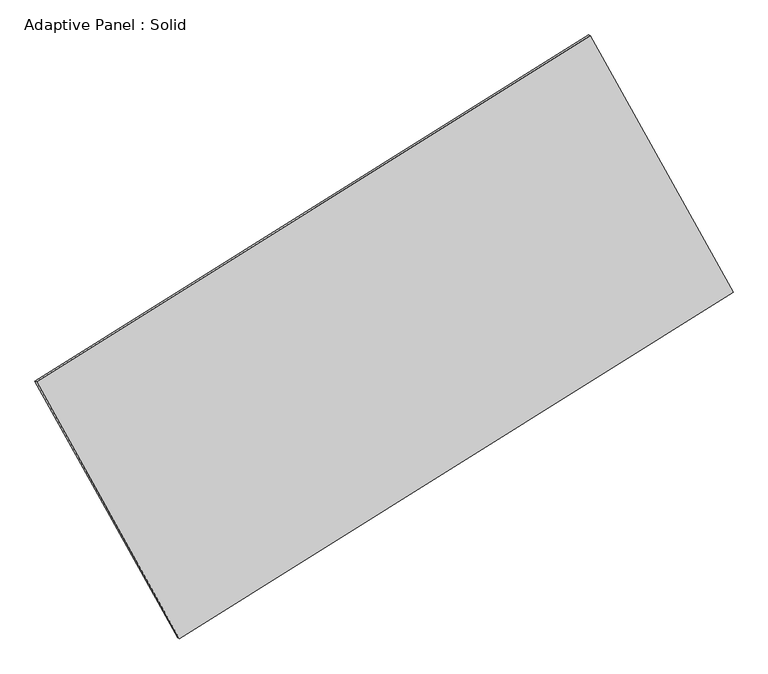
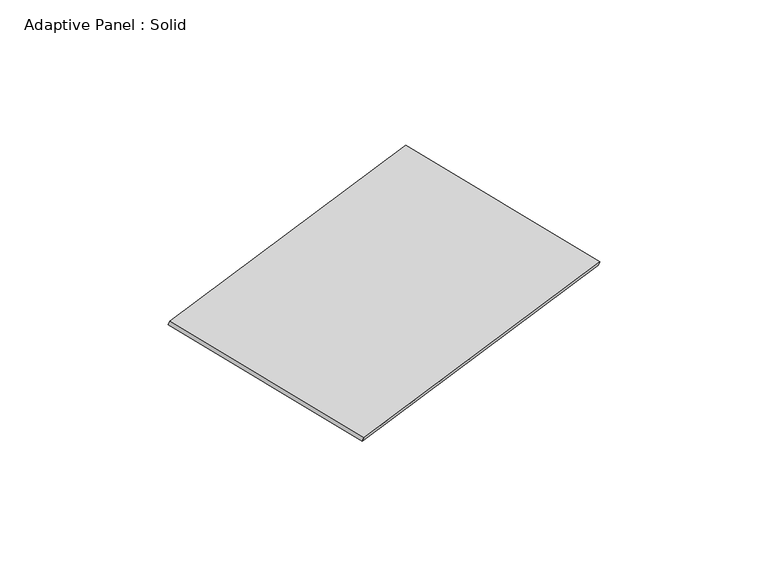
"""IFC4 building model written with IfcOpenShell, lengths in millimetres: plate geometry, Adaptive Panel : Solid."""

from ifc_helpers import new_model, si_unit, frame, origin, place, context, project, spatial, polyline, outline, extrude, source, transform, mapped, element, save


def adaptive_panel_solid_c2d03502(model_context):
    return source(origin(), model_context, "Body", "SweptSolid", [
        extrude(outline(polyline([(-1346.1297486, 2941.501706), (1345.6756346, 2941.5017059), (1346.1297326, -2941.2939232), (-1345.6756185, -2941.7094888), (-1346.1297486, 2941.501706)])), frame((-650.8226445, -100.0621432, 871.2806301), z_axis=(0.2933271166111773, -0.12760186928687267, 0.9474581603506662), x_axis=(0.4692206651242344, -0.8442548699185859, -0.2589704269586061)), (0.0, 0.0, 1.0), 50.0),
    ])


if __name__ == "__main__":
    model = new_model("IFC4")
    model_context = context("Model", 3, world=origin())
    ifc_project = project(units=[si_unit("LENGTHUNIT", "METRE", prefix="MILLI")], contexts=[model_context])
    site = spatial("IfcSite", under=ifc_project)
    building = spatial("IfcBuilding", under=site)
    placement = place(None, origin())
    adaptive_panel_solid_shape = adaptive_panel_solid_c2d03502(model_context)
    element("IfcPlate", 1, ObjectType="Adaptive Panel : Solid", at=placement, inside=building, context=model_context, shape_type="MappedRepresentation", body=[
        mapped(adaptive_panel_solid_shape, transform((0.0, 0.0, 0.0), x_axis=(1.0, 0.0, 0.0), y_axis=(0.0, 1.0, 0.0), z_axis=(0.0, 0.0, 1.0))),
    ])
    save(model, "model.ifc")
